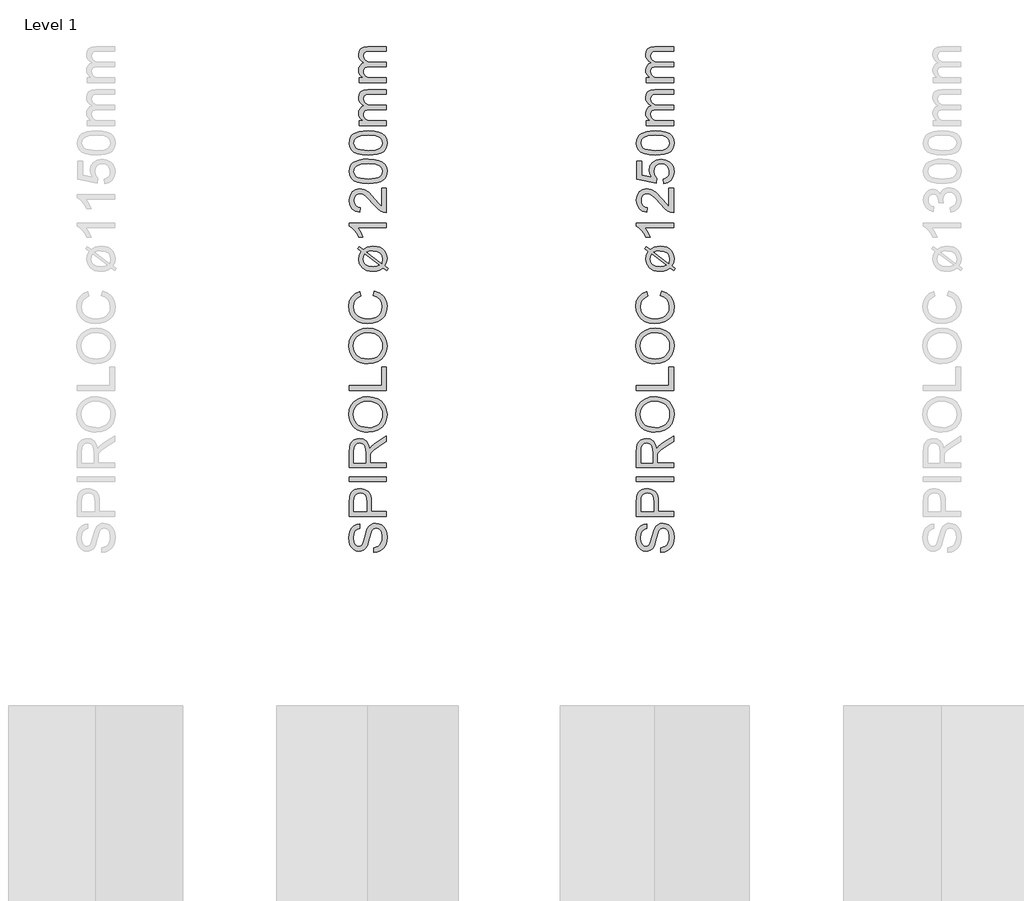
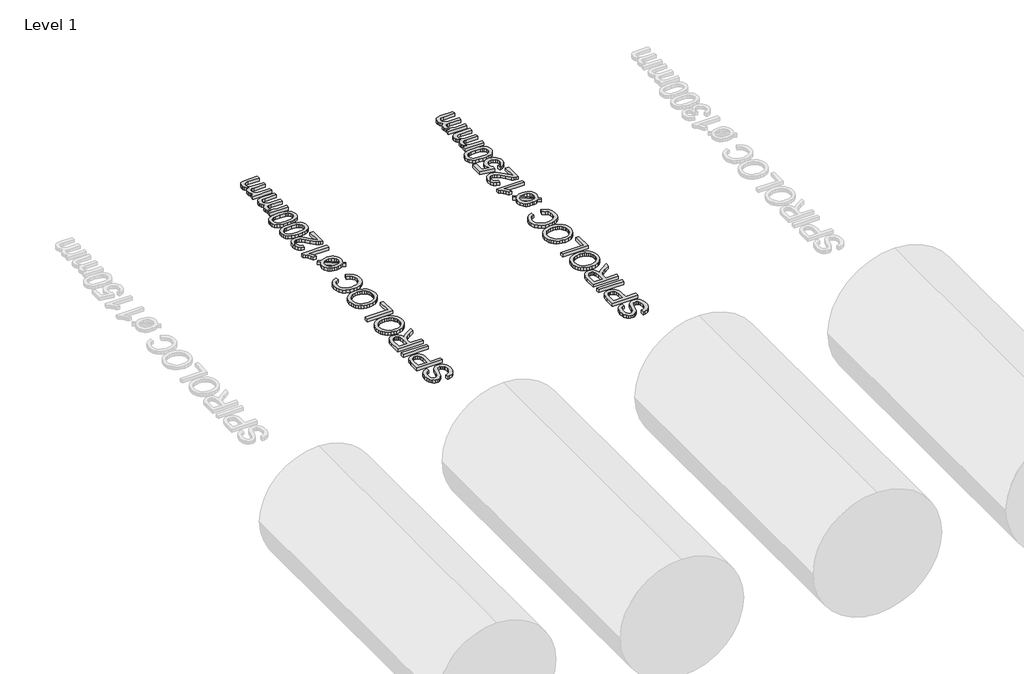
# One storey, part 15 of 19: 2 proxies.
"""IFC4 building model written with IfcOpenShell, lengths in millimetres."""

from ifc_helpers import new_model, si_unit, origin, origin_with_axes, place, context, project, spatial, polyline, outline, extrude, element, save

model = new_model("IFC4")

# Units and contexts
model_context = context("Model", 3, world=origin())
ifc_project = project(units=[si_unit("LENGTHUNIT", "METRE", prefix="MILLI")], contexts=[model_context])

# Site, building, storey
site = spatial("IfcSite", under=ifc_project)
building = spatial("IfcBuilding", under=site)
storey = spatial("IfcBuildingStorey", under=building, Name="Level 1", Elevation=0.0)

# Proxies
placement = place(None, origin())
element("IfcBuildingElementProxy", 1, Name="250mm", ObjectType="250mm", at=placement, inside=storey, context=model_context, shape_type="SweptSolid", body=[
    extrude(outline(polyline([(10788.3043383, 11932.8312074), (10788.3043383, 11963.6004382), (10805.3791581, 11967.1310873), (10819.1036172, 11973.5163036), (10829.9960451, 11983.4772411), (10838.574771, 11997.7350536), (10844.1411773, 12015.1629382), (10845.996646, 12034.6340921), (10840.3776557, 12066.7855344), (10833.7069826, 12078.9474935), (10824.9329441, 12087.5487555), (10814.8593263, 12092.6644406), (10804.2899153, 12094.369669), (10785.0891941, 12089.2614959), (10777.4945427, 12081.479044), (10771.1168383, 12068.3480344), (10759.3680403, 12023.5463517), (10744.1937614, 11975.3191882), (10733.8421989, 11960.002181), (10721.2971268, 11949.1473132), (10706.8289778, 11942.6794647), (10690.7081845, 11940.5235151), (10672.6868504, 11943.190282), (10655.8824633, 11951.1905824), (10641.6396749, 11964.31408), (10631.3031364, 11982.3504382), (10625.0155763, 12004.0000776), (10622.919723, 12027.963419), (10625.1132326, 12053.9249574), (10631.6937614, 12076.6413036), (10642.5260932, 12095.3011594), (10657.4750114, 12109.0932267), (10675.6090258, 12117.822193), (10695.996646, 12121.2927459), (10695.996646, 12090.5235151), (10677.637271, 12084.8744767), (10664.3860691, 12073.0956305), (10656.3632326, 12054.6911834), (10653.6889537, 12029.1653421), (10656.3331845, 12003.0385392), (10664.2658768, 11985.1148613), (10675.9395547, 11974.7482748), (10689.8067422, 11971.2927459), (10701.6306605, 11973.7416642), (10711.1408768, 11981.088419), (10719.6444826, 11998.4562074), (10728.3283768, 12031.3288036), (10743.7730883, 12085.775919), (10754.9359489, 12103.3164839), (10768.7129922, 12115.5535632), (10784.9539778, 12122.7425656), (10803.5086653, 12125.1388998), (10822.4765138, 12122.3819887), (10840.3175595, 12114.1112555), (10855.6721268, 12100.6647411), (10867.1805403, 12082.3804863), (10874.3695427, 12060.392806), (10876.7658768, 12035.8360151), (10874.1817422, 12005.690282), (10866.4293383, 11980.8780824), (10853.4786172, 11961.1139599), (10835.2995307, 11946.1124574), (10813.154098, 11936.4820488), (10788.3043383, 11932.8312074)])), origin_with_axes(), (0.0, 0.0, 1.0), 30.0),
    extrude(outline(polyline([(10872.919723, 12171.2927459), (10626.7658768, 12171.2927459), (10626.7658768, 12262.5187074), (10629.1096268, 12299.2975536), (10633.489134, 12315.6962916), (10640.6180403, 12329.1953901), (10650.8193624, 12340.065282), (10664.4161172, 12348.5763998), (10680.4542783, 12354.0751978), (10697.9798191, 12355.9081305), (10726.9912374, 12350.9577099), (10751.1649153, 12336.1064478), (10760.6826436, 12324.2130434), (10767.481021, 12308.3345127), (10771.5600475, 12288.4708559), (10772.919723, 12264.6220728), (10772.919723, 12202.0619767), (10872.919723, 12202.0619767), (10872.919723, 12171.2927459)]), holes=[polyline([(10742.1504922, 12202.0619767), (10742.1504922, 12266.4249574), (10739.325973, 12293.7086113), (10730.8524153, 12311.7374574), (10717.2556605, 12321.7885392), (10699.0615499, 12325.1388998), (10685.2394345, 12323.1632387), (10673.5807807, 12317.2362555), (10664.8067422, 12308.0941281), (10659.638473, 12296.4730344), (10657.5351076, 12265.7038036), (10657.5351076, 12202.0619767), (10742.1504922, 12202.0619767)])]), origin_with_axes(), (0.0, 0.0, 1.0), 30.0),
    extrude(outline(polyline([(10872.919723, 12402.0619767), (10626.7658768, 12402.0619767), (10626.7658768, 12432.8312074), (10872.919723, 12432.8312074), (10872.919723, 12402.0619767)])), origin_with_axes(), (0.0, 0.0, 1.0), 30.0),
    extrude(outline(polyline([(10872.919723, 12494.369669), (10626.7658768, 12494.369669), (10626.7658768, 12600.4393805), (10628.4260331, 12628.9474935), (10633.4065018, 12649.6881786), (10642.6012133, 12664.8474334), (10656.904098, 12676.6112555), (10674.6399754, 12684.1608349), (10694.1336653, 12686.6773613), (10718.3824633, 12682.5081906), (10738.4846268, 12670.0006786), (10753.2232085, 12648.7792243), (10761.3812614, 12618.4682267), (10774.5423191, 12635.9562074), (10806.2129922, 12660.8961113), (10872.919723, 12701.9417844), (10872.919723, 12666.1845728), (10821.8980883, 12634.1533228), (10788.1240499, 12611.0163036), (10772.168521, 12594.760294), (10766.309146, 12580.1268805), (10765.2274153, 12562.2783228), (10765.2274153, 12525.1388998), (10872.919723, 12525.1388998), (10872.919723, 12494.369669)]), holes=[polyline([(10734.4581845, 12525.1388998), (10734.4581845, 12594.0090921), (10730.1012133, 12629.135294), (10724.4371508, 12640.6887796), (10716.1589057, 12649.0872171), (10706.145384, 12654.2029022), (10695.2754922, 12655.9081305), (10680.2664778, 12652.6554262), (10668.1721268, 12642.8973132), (10660.1943624, 12626.1079502), (10657.5351076, 12601.7614959), (10657.5351076, 12525.1388998), (10734.4581845, 12525.1388998)])]), origin_with_axes(), (0.0, 0.0, 1.0), 30.0),
    extrude(outline(polyline([(10753.0879922, 12728.9850536), (10724.2155463, 12731.0358349), (10698.6559008, 12737.1881786), (10676.4090559, 12747.4420849), (10657.4750114, 12761.7975536), (10642.3570727, 12779.3944587), (10631.5585451, 12799.3726738), (10625.0794285, 12821.732199), (10622.919723, 12846.4730344), (10626.9762133, 12878.759693), (10639.1456845, 12907.7110151), (10658.5717662, 12931.7494767), (10684.3980883, 12949.2975536), (10715.3776557, 12960.0247171), (10750.263473, 12963.6004382), (10785.6150355, 12959.8369166), (10817.0302999, 12948.5463517), (10842.9016941, 12930.3522411), (10861.621646, 12905.8780824), (10872.9798191, 12877.174657), (10876.7658768, 12846.2927459), (10872.5816821, 12813.510294), (10860.029098, 12784.3937074), (10840.2424393, 12760.4153421), (10814.356021, 12743.0475536), (10784.5708648, 12732.5006786), (10753.0879922, 12728.9850536)]), holes=[polyline([(10753.388473, 12759.7542844), (10773.7873612, 12761.2923703), (10791.8950835, 12765.9066281), (10807.71164, 12773.5970578), (10821.2370307, 12784.3636594), (10832.0693624, 12797.4514749), (10839.8067422, 12812.1055464), (10844.4491701, 12828.3258739), (10845.996646, 12846.1124574), (10844.434146, 12864.2032778), (10839.746646, 12880.6151618), (10831.934146, 12895.3481095), (10820.996646, 12908.4021209), (10807.1857987, 12919.0898463), (10790.7532566, 12926.7239358), (10771.6990198, 12931.3043895), (10750.0230883, 12932.8312074), (10722.7845066, 12930.2170248), (10699.2418383, 12922.3744767), (10679.9885331, 12909.5063877), (10665.6180403, 12891.8155824), (10656.6712254, 12870.4739358), (10653.6889537, 12846.6533228), (10659.4356484, 12813.5553661), (10676.6757326, 12785.4153421), (10690.0903209, 12774.1886293), (10707.3473071, 12766.1695488), (10728.4466911, 12761.3581005), (10753.388473, 12759.7542844)])]), origin_with_axes(), (0.0, 0.0, 1.0), 30.0),
    extrude(outline(polyline([(10872.919723, 13005.9081305), (10626.7658768, 13005.9081305), (10626.7658768, 13036.6773613), (10842.1504922, 13036.6773613), (10842.1504922, 13159.7542844), (10872.919723, 13159.7542844), (10872.919723, 13005.9081305)])), origin_with_axes(), (0.0, 0.0, 1.0), 30.0),
    extrude(outline(polyline([(10753.0879922, 13182.8312074), (10724.2155463, 13184.8819887), (10698.6559008, 13191.0343324), (10676.4090559, 13201.2882387), (10657.4750114, 13215.6437074), (10642.3570727, 13233.2406125), (10631.5585451, 13253.2188276), (10625.0794285, 13275.5783529), (10622.919723, 13300.3191882), (10626.9762133, 13332.6058469), (10639.1456845, 13361.557169), (10658.5717662, 13385.5956305), (10684.3980883, 13403.1437074), (10715.3776557, 13413.8708709), (10750.263473, 13417.4465921), (10785.6150355, 13413.6830704), (10817.0302999, 13402.3925055), (10842.9016941, 13384.1983949), (10861.621646, 13359.7242363), (10872.9798191, 13331.0208108), (10876.7658768, 13300.1388998), (10872.5816821, 13267.3564478), (10860.029098, 13238.2398613), (10840.2424393, 13214.2614959), (10814.356021, 13196.8937074), (10784.5708648, 13186.3468324), (10753.0879922, 13182.8312074)]), holes=[polyline([(10753.388473, 13213.6004382), (10773.7873612, 13215.1385242), (10791.8950835, 13219.752782), (10807.71164, 13227.4432117), (10821.2370307, 13238.2098132), (10832.0693624, 13251.2976287), (10839.8067422, 13265.9517002), (10844.4491701, 13282.1720278), (10845.996646, 13299.9586113), (10844.434146, 13318.0494316), (10839.746646, 13334.4613156), (10831.934146, 13349.1942633), (10820.996646, 13362.2482748), (10807.1857987, 13372.9360001), (10790.7532566, 13380.5700897), (10771.6990198, 13385.1505434), (10750.0230883, 13386.6773613), (10722.7845066, 13384.0631786), (10699.2418383, 13376.2206305), (10679.9885331, 13363.3525416), (10665.6180403, 13345.6617363), (10656.6712254, 13324.3200897), (10653.6889537, 13300.4994767), (10659.4356484, 13267.4015199), (10676.6757326, 13239.2614959), (10690.0903209, 13228.0347832), (10707.3473071, 13220.0157026), (10728.4466911, 13215.2042543), (10753.388473, 13213.6004382)])]), origin_with_axes(), (0.0, 0.0, 1.0), 30.0),
    extrude(outline(polyline([(10785.419723, 13632.8312074), (10793.3524153, 13663.6004382), (10829.2072831, 13649.4027219), (10855.4016941, 13627.1220728), (10871.4248311, 13597.8552459), (10876.7658768, 13562.6989959), (10872.7244105, 13527.0093925), (10860.6000114, 13498.666544), (10840.8133528, 13476.9417844), (10813.7851076, 13461.1064478), (10782.0092662, 13451.4384791), (10747.9798191, 13448.2158228), (10712.0873912, 13451.8591522), (10681.0927999, 13462.7891401), (10655.9801196, 13480.4348733), (10637.7334249, 13504.2254382), (10626.6231484, 13532.4405824), (10622.919723, 13563.3600536), (10627.7123912, 13597.096532), (10642.090396, 13624.9886594), (10665.1673191, 13646.1650416), (10696.0567422, 13659.7542844), (10703.388473, 13628.9850536), (10680.9500715, 13618.3179863), (10665.5579441, 13603.744669), (10656.6562013, 13585.0848132), (10653.6889537, 13562.1581305), (10656.9792182, 13535.7308469), (10666.8500114, 13514.0211113), (10682.2646749, 13497.5472531), (10702.1865499, 13486.8276017), (10724.7075835, 13480.9456906), (10747.919723, 13478.9850536), (10776.3452037, 13481.3062675), (10800.9245307, 13488.2699094), (10820.7187013, 13500.1388998), (10834.7887133, 13517.1761594), (10843.1946629, 13537.6013397), (10845.996646, 13559.6340921), (10842.1805403, 13585.3176858), (10830.732223, 13606.7194286), (10811.7718864, 13622.877782), (10785.419723, 13632.8312074)])), origin_with_axes(), (0.0, 0.0, 1.0), 30.0),
    extrude(outline(polyline([(10705.8524153, 13924.8985151), (10681.5735691, 13943.2879382), (10692.7514537, 13957.9513998), (10718.1721268, 13938.6605344), (10744.434146, 13954.1653421), (10783.6168383, 13959.7542844), (10807.1595066, 13958.0077399), (10827.3668383, 13952.7681065), (10844.2388335, 13944.0353841), (10857.7754922, 13931.8095728), (10872.0182807, 13906.8245969), (10876.7658768, 13877.182169), (10872.7244105, 13852.4375776), (10860.6000114, 13830.7278421), (10884.4581845, 13812.6388998), (10873.5206845, 13797.7350536), (10850.7442422, 13815.0427459), (10827.5471268, 13801.0403421), (10807.7454441, 13796.0373373), (10785.4798191, 13794.369669), (10761.593476, 13795.8870969), (10741.2565619, 13800.4393805), (10724.4690769, 13808.0265199), (10711.231021, 13818.6485151), (10694.036009, 13845.0457507), (10688.3043383, 13875.6797651), (10692.5411172, 13900.619669), (10705.8524153, 13924.8985151)]), holes=[polyline([(10727.7274153, 13908.3119767), (10721.2370307, 13892.9273613), (10719.0735691, 13876.8215921), (10723.2277158, 13856.6142603), (10735.6901557, 13839.9826498), (10756.3707446, 13828.8498373), (10785.1793383, 13825.1388998), (10807.5952037, 13827.2873373), (10826.044723, 13833.7326498), (10727.7274153, 13908.3119767)]), polyline([(10743.1120307, 13919.7903421), (10840.888473, 13845.6316882), (10845.996646, 13875.1989959), (10841.9326436, 13896.5331305), (10829.7406364, 13913.7807267), (10809.4356484, 13925.1839719), (10781.0327037, 13928.9850536), (10759.8187614, 13926.6413036), (10743.1120307, 13919.7903421)])]), origin_with_axes(), (0.0, 0.0, 1.0), 30.0),
    extrude(outline(polyline([(10872.919723, 14113.6004382), (10872.919723, 14082.8312074), (10681.0927999, 14082.8312074), (10701.856021, 14053.6845728), (10717.3908768, 14021.2927459), (10688.3043383, 14021.2927459), (10675.1583047, 14045.4589118), (10659.5182807, 14066.3949094), (10642.8866701, 14082.8988156), (10626.7658768, 14093.7687074), (10626.7658768, 14113.6004382), (10872.919723, 14113.6004382)])), origin_with_axes(), (0.0, 0.0, 1.0), 30.0),
    extrude(outline(polyline([(10842.1504922, 14344.369669), (10872.919723, 14344.369669), (10872.919723, 14182.8312074), (10851.7057807, 14186.1364959), (10835.1267542, 14193.7236353), (10819.043521, 14204.8263998), (10783.3764537, 14243.3480344), (10753.8842662, 14276.5511594), (10732.1144345, 14296.4730344), (10714.4461653, 14306.4339719), (10697.2586653, 14309.7542844), (10681.8515138, 14306.6217724), (10669.043521, 14297.2242363), (10660.4122109, 14282.7786233), (10657.5351076, 14264.5018805), (10660.3446028, 14245.3086714), (10668.7730883, 14230.3973132), (10682.1595066, 14220.7744166), (10699.8427999, 14217.4465921), (10695.996646, 14186.6773613), (10666.2340258, 14194.1367964), (10644.4942422, 14210.2651017), (10631.1979682, 14234.220931), (10626.7658768, 14265.1629382), (10631.6937614, 14296.330306), (10646.4774153, 14320.2410632), (10668.5627518, 14335.4529022), (10695.3956845, 14340.5235151), (10724.5723672, 14335.0547651), (10754.7406364, 14316.8756786), (10796.8980883, 14272.7951498), (10826.4954441, 14237.3985151), (10842.1504922, 14223.5163036), (10842.1504922, 14344.369669)])), origin_with_axes(), (0.0, 0.0, 1.0), 30.0),
    extrude(outline(polyline([(10751.825973, 14375.1388998), (10712.4254321, 14377.4000175), (10681.0026557, 14384.1833709), (10657.0768744, 14395.4213517), (10640.1673191, 14411.0463517), (10630.1162374, 14431.1710512), (10626.7658768, 14455.9081305), (10628.7490499, 14474.8684671), (10634.6985691, 14491.8456305), (10644.3815619, 14506.0433469), (10657.5651557, 14516.6653421), (10693.9834249, 14531.088419), (10719.1862494, 14535.2801257), (10751.825973, 14536.6773613), (10791.0011533, 14534.4387796), (10822.3488095, 14527.7230344), (10846.2971268, 14516.5526618), (10863.2742903, 14500.9501978), (10873.3929802, 14480.7804262), (10876.7658768, 14455.9081305), (10875.3010331, 14438.9610151), (10870.9065018, 14423.9369767), (10863.5822831, 14410.8360151), (10853.3283768, 14399.6581305), (10834.7924694, 14388.9309671), (10811.6967662, 14381.2687074), (10784.0412674, 14376.6713517), (10751.825973, 14375.1388998)]), holes=[polyline([(10751.7658768, 14405.9081305), (10800.1658167, 14409.5138998), (10816.7204291, 14414.0211113), (10828.1781364, 14420.3312074), (10841.5420186, 14436.4369767), (10845.996646, 14455.9081305), (10841.5269946, 14475.3792844), (10828.1180403, 14491.4850536), (10816.6415529, 14497.7951498), (10800.0906965, 14502.3023613), (10751.7658768, 14505.9081305), (10704.4551797, 14502.4225536), (10687.9550295, 14498.0655824), (10676.2250114, 14491.9658228), (10662.2075835, 14475.8901017), (10657.5351076, 14455.5475536), (10661.6516941, 14436.2867363), (10674.0014537, 14420.8119767), (10686.7718864, 14414.291544), (10703.9894345, 14409.6340921), (10751.7658768, 14405.9081305)])]), origin_with_axes(), (0.0, 0.0, 1.0), 30.0),
    extrude(outline(polyline([(10751.825973, 14563.6004382), (10712.4254321, 14565.861556), (10681.0026557, 14572.6449094), (10657.0768744, 14583.8828901), (10640.1673191, 14599.5078901), (10630.1162374, 14619.6325897), (10626.7658768, 14644.369669), (10628.7490499, 14663.3300055), (10634.6985691, 14680.307169), (10644.3815619, 14694.5048853), (10657.5651557, 14705.1268805), (10693.9834249, 14719.5499574), (10719.1862494, 14723.7416642), (10751.825973, 14725.1388998), (10791.0011533, 14722.900318), (10822.3488095, 14716.1845728), (10846.2971268, 14705.0142002), (10863.2742903, 14689.4117363), (10873.3929802, 14669.2419647), (10876.7658768, 14644.369669), (10875.3010331, 14627.4225536), (10870.9065018, 14612.3985151), (10863.5822831, 14599.2975536), (10853.3283768, 14588.119669), (10834.7924694, 14577.3925055), (10811.6967662, 14569.7302459), (10784.0412674, 14565.1328901), (10751.825973, 14563.6004382)]), holes=[polyline([(10751.7658768, 14594.369669), (10800.1658167, 14597.9754382), (10816.7204291, 14602.4826498), (10828.1781364, 14608.7927459), (10841.5420186, 14624.8985151), (10845.996646, 14644.369669), (10841.5269946, 14663.8408228), (10828.1180403, 14679.9465921), (10816.6415529, 14686.2566882), (10800.0906965, 14690.7638998), (10751.7658768, 14694.369669), (10704.4551797, 14690.8840921), (10687.9550295, 14686.5271209), (10676.2250114, 14680.4273613), (10662.2075835, 14664.3516401), (10657.5351076, 14644.0090921), (10661.6516941, 14624.7482748), (10674.0014537, 14609.2735151), (10686.7718864, 14602.7530824), (10703.9894345, 14598.0956305), (10751.7658768, 14594.369669)])]), origin_with_axes(), (0.0, 0.0, 1.0), 30.0),
    extrude(outline(polyline([(10872.919723, 14759.7542844), (10692.1504922, 14759.7542844), (10692.1504922, 14790.5235151), (10721.8980883, 14790.5235151), (10708.2337254, 14799.7783228), (10697.529098, 14811.6773613), (10690.6105283, 14825.8149815), (10688.3043383, 14841.7855344), (10690.6556004, 14858.8979142), (10697.7093864, 14872.6148613), (10708.9999513, 14882.8612555), (10724.0615499, 14889.5619767), (10708.4177698, 14900.7774214), (10697.2436412, 14913.5703901), (10690.5391641, 14927.9408829), (10688.3043383, 14943.8888998), (10692.0227879, 14967.018407), (10703.1781364, 14984.1232748), (10722.0708648, 14994.6926858), (10749.0014537, 14998.2158228), (10872.919723, 14998.2158228), (10872.919723, 14967.4465921), (10762.2226076, 14967.4465921), (10736.5315018, 14964.5920248), (10723.8812614, 14954.2554863), (10719.0735691, 14936.6773613), (10722.153497, 14920.0081906), (10731.3932807, 14906.4189478), (10747.4239297, 14897.3819887), (10770.8764537, 14894.369669), (10872.919723, 14894.369669), (10872.919723, 14863.6004382), (10758.7971268, 14863.6004382), (10741.3992903, 14861.8200897), (10728.9894345, 14856.479044), (10721.5525355, 14847.0815079), (10719.0735691, 14833.1316882), (10720.7262133, 14821.2777219), (10725.684146, 14810.3552459), (10733.8271749, 14801.3408228), (10745.0351076, 14795.2110151), (10781.7538576, 14790.5235151), (10872.919723, 14790.5235151), (10872.919723, 14759.7542844)])), origin_with_axes(), (0.0, 0.0, 1.0), 30.0),
    extrude(outline(polyline([(10872.919723, 15044.369669), (10692.1504922, 15044.369669), (10692.1504922, 15075.1388998), (10721.8980883, 15075.1388998), (10708.2337254, 15084.3937074), (10697.529098, 15096.2927459), (10690.6105283, 15110.4303661), (10688.3043383, 15126.400919), (10690.6556004, 15143.5132988), (10697.7093864, 15157.2302459), (10708.9999513, 15167.4766401), (10724.0615499, 15174.1773613), (10708.4177698, 15185.392806), (10697.2436412, 15198.1857748), (10690.5391641, 15212.5562675), (10688.3043383, 15228.5042844), (10692.0227879, 15251.6337916), (10703.1781364, 15268.7386594), (10722.0708648, 15279.3080704), (10749.0014537, 15282.8312074), (10872.919723, 15282.8312074), (10872.919723, 15252.0619767), (10762.2226076, 15252.0619767), (10736.5315018, 15249.2074094), (10723.8812614, 15238.8708709), (10719.0735691, 15221.2927459), (10722.153497, 15204.6235752), (10731.3932807, 15191.0343324), (10747.4239297, 15181.9973733), (10770.8764537, 15178.9850536), (10872.919723, 15178.9850536), (10872.919723, 15148.2158228), (10758.7971268, 15148.2158228), (10741.3992903, 15146.4354743), (10728.9894345, 15141.0944286), (10721.5525355, 15131.6968925), (10719.0735691, 15117.7470728), (10720.7262133, 15105.8931065), (10725.684146, 15094.9706305), (10733.8271749, 15085.9562074), (10745.0351076, 15079.8263998), (10781.7538576, 15075.1388998), (10872.919723, 15075.1388998), (10872.919723, 15044.369669)])), origin_with_axes(), (0.0, 0.0, 1.0), 30.0),
])
element("IfcBuildingElementProxy", 2, Name="250mm", ObjectType="250mm", at=placement, inside=storey, context=model_context, shape_type="SweptSolid", body=[
    extrude(outline(polyline([(12688.3043383, 11932.8312074), (12688.3043383, 11963.6004382), (12705.3791581, 11967.1310873), (12719.1036172, 11973.5163036), (12729.9960451, 11983.4772411), (12738.574771, 11997.7350536), (12744.1411773, 12015.1629382), (12745.996646, 12034.6340921), (12740.3776557, 12066.7855344), (12733.7069826, 12078.9474935), (12724.9329441, 12087.5487555), (12714.8593263, 12092.6644406), (12704.2899153, 12094.369669), (12685.0891941, 12089.2614959), (12677.4945427, 12081.479044), (12671.1168383, 12068.3480344), (12659.3680403, 12023.5463517), (12644.1937614, 11975.3191882), (12633.8421989, 11960.002181), (12621.2971268, 11949.1473132), (12606.8289778, 11942.6794647), (12590.7081845, 11940.5235151), (12572.6868504, 11943.190282), (12555.8824633, 11951.1905824), (12541.6396749, 11964.31408), (12531.3031364, 11982.3504382), (12525.0155763, 12004.0000776), (12522.919723, 12027.963419), (12525.1132326, 12053.9249574), (12531.6937614, 12076.6413036), (12542.5260932, 12095.3011594), (12557.4750114, 12109.0932267), (12575.6090258, 12117.822193), (12595.996646, 12121.2927459), (12595.996646, 12090.5235151), (12577.637271, 12084.8744767), (12564.3860691, 12073.0956305), (12556.3632326, 12054.6911834), (12553.6889537, 12029.1653421), (12556.3331845, 12003.0385392), (12564.2658768, 11985.1148613), (12575.9395547, 11974.7482748), (12589.8067422, 11971.2927459), (12601.6306605, 11973.7416642), (12611.1408768, 11981.088419), (12619.6444826, 11998.4562074), (12628.3283768, 12031.3288036), (12643.7730883, 12085.775919), (12654.9359489, 12103.3164839), (12668.7129922, 12115.5535632), (12684.9539778, 12122.7425656), (12703.5086653, 12125.1388998), (12722.4765138, 12122.3819887), (12740.3175595, 12114.1112555), (12755.6721268, 12100.6647411), (12767.1805403, 12082.3804863), (12774.3695427, 12060.392806), (12776.7658768, 12035.8360151), (12774.1817422, 12005.690282), (12766.4293383, 11980.8780824), (12753.4786172, 11961.1139599), (12735.2995307, 11946.1124574), (12713.154098, 11936.4820488), (12688.3043383, 11932.8312074)])), origin_with_axes(), (0.0, 0.0, 1.0), 30.0),
    extrude(outline(polyline([(12772.919723, 12171.2927459), (12526.7658768, 12171.2927459), (12526.7658768, 12262.5187074), (12529.1096268, 12299.2975536), (12533.489134, 12315.6962916), (12540.6180403, 12329.1953901), (12550.8193624, 12340.065282), (12564.4161172, 12348.5763998), (12580.4542783, 12354.0751978), (12597.9798191, 12355.9081305), (12626.9912374, 12350.9577099), (12651.1649153, 12336.1064478), (12660.6826436, 12324.2130434), (12667.481021, 12308.3345127), (12671.5600475, 12288.4708559), (12672.919723, 12264.6220728), (12672.919723, 12202.0619767), (12772.919723, 12202.0619767), (12772.919723, 12171.2927459)]), holes=[polyline([(12642.1504922, 12202.0619767), (12642.1504922, 12266.4249574), (12639.325973, 12293.7086113), (12630.8524153, 12311.7374574), (12617.2556605, 12321.7885392), (12599.0615499, 12325.1388998), (12585.2394345, 12323.1632387), (12573.5807807, 12317.2362555), (12564.8067422, 12308.0941281), (12559.638473, 12296.4730344), (12557.5351076, 12265.7038036), (12557.5351076, 12202.0619767), (12642.1504922, 12202.0619767)])]), origin_with_axes(), (0.0, 0.0, 1.0), 30.0),
    extrude(outline(polyline([(12772.919723, 12402.0619767), (12526.7658768, 12402.0619767), (12526.7658768, 12432.8312074), (12772.919723, 12432.8312074), (12772.919723, 12402.0619767)])), origin_with_axes(), (0.0, 0.0, 1.0), 30.0),
    extrude(outline(polyline([(12772.919723, 12494.369669), (12526.7658768, 12494.369669), (12526.7658768, 12600.4393805), (12528.4260331, 12628.9474935), (12533.4065018, 12649.6881786), (12542.6012133, 12664.8474334), (12556.904098, 12676.6112555), (12574.6399754, 12684.1608349), (12594.1336653, 12686.6773613), (12618.3824633, 12682.5081906), (12638.4846268, 12670.0006786), (12653.2232085, 12648.7792243), (12661.3812614, 12618.4682267), (12674.5423191, 12635.9562074), (12706.2129922, 12660.8961113), (12772.919723, 12701.9417844), (12772.919723, 12666.1845728), (12721.8980883, 12634.1533228), (12688.1240499, 12611.0163036), (12672.168521, 12594.760294), (12666.309146, 12580.1268805), (12665.2274153, 12562.2783228), (12665.2274153, 12525.1388998), (12772.919723, 12525.1388998), (12772.919723, 12494.369669)]), holes=[polyline([(12634.4581845, 12525.1388998), (12634.4581845, 12594.0090921), (12630.1012133, 12629.135294), (12624.4371508, 12640.6887796), (12616.1589057, 12649.0872171), (12606.145384, 12654.2029022), (12595.2754922, 12655.9081305), (12580.2664778, 12652.6554262), (12568.1721268, 12642.8973132), (12560.1943624, 12626.1079502), (12557.5351076, 12601.7614959), (12557.5351076, 12525.1388998), (12634.4581845, 12525.1388998)])]), origin_with_axes(), (0.0, 0.0, 1.0), 30.0),
    extrude(outline(polyline([(12653.0879922, 12728.9850536), (12624.2155463, 12731.0358349), (12598.6559008, 12737.1881786), (12576.4090559, 12747.4420849), (12557.4750114, 12761.7975536), (12542.3570727, 12779.3944587), (12531.5585451, 12799.3726738), (12525.0794285, 12821.732199), (12522.919723, 12846.4730344), (12526.9762133, 12878.759693), (12539.1456845, 12907.7110151), (12558.5717662, 12931.7494767), (12584.3980883, 12949.2975536), (12615.3776557, 12960.0247171), (12650.263473, 12963.6004382), (12685.6150355, 12959.8369166), (12717.0302999, 12948.5463517), (12742.9016941, 12930.3522411), (12761.621646, 12905.8780824), (12772.9798191, 12877.174657), (12776.7658768, 12846.2927459), (12772.5816821, 12813.510294), (12760.029098, 12784.3937074), (12740.2424393, 12760.4153421), (12714.356021, 12743.0475536), (12684.5708648, 12732.5006786), (12653.0879922, 12728.9850536)]), holes=[polyline([(12653.388473, 12759.7542844), (12673.7873612, 12761.2923703), (12691.8950835, 12765.9066281), (12707.71164, 12773.5970578), (12721.2370307, 12784.3636594), (12732.0693624, 12797.4514749), (12739.8067422, 12812.1055464), (12744.4491701, 12828.3258739), (12745.996646, 12846.1124574), (12744.434146, 12864.2032778), (12739.746646, 12880.6151618), (12731.934146, 12895.3481095), (12720.996646, 12908.4021209), (12707.1857987, 12919.0898463), (12690.7532566, 12926.7239358), (12671.6990198, 12931.3043895), (12650.0230883, 12932.8312074), (12622.7845066, 12930.2170248), (12599.2418383, 12922.3744767), (12579.9885331, 12909.5063877), (12565.6180403, 12891.8155824), (12556.6712254, 12870.4739358), (12553.6889537, 12846.6533228), (12559.4356484, 12813.5553661), (12576.6757326, 12785.4153421), (12590.0903209, 12774.1886293), (12607.3473071, 12766.1695488), (12628.4466911, 12761.3581005), (12653.388473, 12759.7542844)])]), origin_with_axes(), (0.0, 0.0, 1.0), 30.0),
    extrude(outline(polyline([(12772.919723, 13005.9081305), (12526.7658768, 13005.9081305), (12526.7658768, 13036.6773613), (12742.1504922, 13036.6773613), (12742.1504922, 13159.7542844), (12772.919723, 13159.7542844), (12772.919723, 13005.9081305)])), origin_with_axes(), (0.0, 0.0, 1.0), 30.0),
    extrude(outline(polyline([(12653.0879922, 13182.8312074), (12624.2155463, 13184.8819887), (12598.6559008, 13191.0343324), (12576.4090559, 13201.2882387), (12557.4750114, 13215.6437074), (12542.3570727, 13233.2406125), (12531.5585451, 13253.2188276), (12525.0794285, 13275.5783529), (12522.919723, 13300.3191882), (12526.9762133, 13332.6058469), (12539.1456845, 13361.557169), (12558.5717662, 13385.5956305), (12584.3980883, 13403.1437074), (12615.3776557, 13413.8708709), (12650.263473, 13417.4465921), (12685.6150355, 13413.6830704), (12717.0302999, 13402.3925055), (12742.9016941, 13384.1983949), (12761.621646, 13359.7242363), (12772.9798191, 13331.0208108), (12776.7658768, 13300.1388998), (12772.5816821, 13267.3564478), (12760.029098, 13238.2398613), (12740.2424393, 13214.2614959), (12714.356021, 13196.8937074), (12684.5708648, 13186.3468324), (12653.0879922, 13182.8312074)]), holes=[polyline([(12653.388473, 13213.6004382), (12673.7873612, 13215.1385242), (12691.8950835, 13219.752782), (12707.71164, 13227.4432117), (12721.2370307, 13238.2098132), (12732.0693624, 13251.2976287), (12739.8067422, 13265.9517002), (12744.4491701, 13282.1720278), (12745.996646, 13299.9586113), (12744.434146, 13318.0494316), (12739.746646, 13334.4613156), (12731.934146, 13349.1942633), (12720.996646, 13362.2482748), (12707.1857987, 13372.9360001), (12690.7532566, 13380.5700897), (12671.6990198, 13385.1505434), (12650.0230883, 13386.6773613), (12622.7845066, 13384.0631786), (12599.2418383, 13376.2206305), (12579.9885331, 13363.3525416), (12565.6180403, 13345.6617363), (12556.6712254, 13324.3200897), (12553.6889537, 13300.4994767), (12559.4356484, 13267.4015199), (12576.6757326, 13239.2614959), (12590.0903209, 13228.0347832), (12607.3473071, 13220.0157026), (12628.4466911, 13215.2042543), (12653.388473, 13213.6004382)])]), origin_with_axes(), (0.0, 0.0, 1.0), 30.0),
    extrude(outline(polyline([(12685.419723, 13632.8312074), (12693.3524153, 13663.6004382), (12729.2072831, 13649.4027219), (12755.4016941, 13627.1220728), (12771.4248311, 13597.8552459), (12776.7658768, 13562.6989959), (12772.7244105, 13527.0093925), (12760.6000114, 13498.666544), (12740.8133528, 13476.9417844), (12713.7851076, 13461.1064478), (12682.0092662, 13451.4384791), (12647.9798191, 13448.2158228), (12612.0873912, 13451.8591522), (12581.0927999, 13462.7891401), (12555.9801196, 13480.4348733), (12537.7334249, 13504.2254382), (12526.6231484, 13532.4405824), (12522.919723, 13563.3600536), (12527.7123912, 13597.096532), (12542.090396, 13624.9886594), (12565.1673191, 13646.1650416), (12596.0567422, 13659.7542844), (12603.388473, 13628.9850536), (12580.9500715, 13618.3179863), (12565.5579441, 13603.744669), (12556.6562013, 13585.0848132), (12553.6889537, 13562.1581305), (12556.9792182, 13535.7308469), (12566.8500114, 13514.0211113), (12582.2646749, 13497.5472531), (12602.1865499, 13486.8276017), (12624.7075835, 13480.9456906), (12647.919723, 13478.9850536), (12676.3452037, 13481.3062675), (12700.9245307, 13488.2699094), (12720.7187013, 13500.1388998), (12734.7887133, 13517.1761594), (12743.1946629, 13537.6013397), (12745.996646, 13559.6340921), (12742.1805403, 13585.3176858), (12730.732223, 13606.7194286), (12711.7718864, 13622.877782), (12685.419723, 13632.8312074)])), origin_with_axes(), (0.0, 0.0, 1.0), 30.0),
    extrude(outline(polyline([(12605.8524153, 13924.8985151), (12581.5735691, 13943.2879382), (12592.7514537, 13957.9513998), (12618.1721268, 13938.6605344), (12644.434146, 13954.1653421), (12683.6168383, 13959.7542844), (12707.1595066, 13958.0077399), (12727.3668383, 13952.7681065), (12744.2388335, 13944.0353841), (12757.7754922, 13931.8095728), (12772.0182807, 13906.8245969), (12776.7658768, 13877.182169), (12772.7244105, 13852.4375776), (12760.6000114, 13830.7278421), (12784.4581845, 13812.6388998), (12773.5206845, 13797.7350536), (12750.7442422, 13815.0427459), (12727.5471268, 13801.0403421), (12707.7454441, 13796.0373373), (12685.4798191, 13794.369669), (12661.593476, 13795.8870969), (12641.2565619, 13800.4393805), (12624.4690769, 13808.0265199), (12611.231021, 13818.6485151), (12594.036009, 13845.0457507), (12588.3043383, 13875.6797651), (12592.5411172, 13900.619669), (12605.8524153, 13924.8985151)]), holes=[polyline([(12627.7274153, 13908.3119767), (12621.2370307, 13892.9273613), (12619.0735691, 13876.8215921), (12623.2277158, 13856.6142603), (12635.6901557, 13839.9826498), (12656.3707446, 13828.8498373), (12685.1793383, 13825.1388998), (12707.5952037, 13827.2873373), (12726.044723, 13833.7326498), (12627.7274153, 13908.3119767)]), polyline([(12643.1120307, 13919.7903421), (12740.888473, 13845.6316882), (12745.996646, 13875.1989959), (12741.9326436, 13896.5331305), (12729.7406364, 13913.7807267), (12709.4356484, 13925.1839719), (12681.0327037, 13928.9850536), (12659.8187614, 13926.6413036), (12643.1120307, 13919.7903421)])]), origin_with_axes(), (0.0, 0.0, 1.0), 30.0),
    extrude(outline(polyline([(12772.919723, 14113.6004382), (12772.919723, 14082.8312074), (12581.0927999, 14082.8312074), (12601.856021, 14053.6845728), (12617.3908768, 14021.2927459), (12588.3043383, 14021.2927459), (12575.1583047, 14045.4589118), (12559.5182807, 14066.3949094), (12542.8866701, 14082.8988156), (12526.7658768, 14093.7687074), (12526.7658768, 14113.6004382), (12772.919723, 14113.6004382)])), origin_with_axes(), (0.0, 0.0, 1.0), 30.0),
    extrude(outline(polyline([(12742.1504922, 14344.369669), (12772.919723, 14344.369669), (12772.919723, 14182.8312074), (12751.7057807, 14186.1364959), (12735.1267542, 14193.7236353), (12719.043521, 14204.8263998), (12683.3764537, 14243.3480344), (12653.8842662, 14276.5511594), (12632.1144345, 14296.4730344), (12614.4461653, 14306.4339719), (12597.2586653, 14309.7542844), (12581.8515138, 14306.6217724), (12569.043521, 14297.2242363), (12560.4122109, 14282.7786233), (12557.5351076, 14264.5018805), (12560.3446028, 14245.3086714), (12568.7730883, 14230.3973132), (12582.1595066, 14220.7744166), (12599.8427999, 14217.4465921), (12595.996646, 14186.6773613), (12566.2340258, 14194.1367964), (12544.4942422, 14210.2651017), (12531.1979682, 14234.220931), (12526.7658768, 14265.1629382), (12531.6937614, 14296.330306), (12546.4774153, 14320.2410632), (12568.5627518, 14335.4529022), (12595.3956845, 14340.5235151), (12624.5723672, 14335.0547651), (12654.7406364, 14316.8756786), (12696.8980883, 14272.7951498), (12726.4954441, 14237.3985151), (12742.1504922, 14223.5163036), (12742.1504922, 14344.369669)])), origin_with_axes(), (0.0, 0.0, 1.0), 30.0),
    extrude(outline(polyline([(12707.5351076, 14375.1388998), (12703.6889537, 14405.9081305), (12722.161009, 14411.557169), (12735.3896749, 14421.4129382), (12743.3449033, 14435.4303661), (12745.996646, 14453.5643805), (12742.3082446, 14475.619669), (12731.2430403, 14492.1461113), (12714.0780763, 14502.4676257), (12692.090396, 14505.9081305), (12671.387271, 14502.6854743), (12655.5519345, 14493.0175055), (12645.5008528, 14476.8291041), (12642.1504922, 14454.0451498), (12647.4990499, 14427.0319286), (12661.3812614, 14409.7542844), (12657.5351076, 14378.9850536), (12530.6120307, 14405.9081305), (12530.6120307, 14525.1388998), (12561.3812614, 14525.1388998), (12561.3812614, 14430.7879382), (12629.169723, 14417.6268805), (12615.8283768, 14439.6070488), (12611.3812614, 14462.6388998), (12616.8950835, 14491.3873974), (12633.4365499, 14515.2530824), (12658.6468864, 14531.3212916), (12690.1673191, 14536.6773613), (12720.9365499, 14531.8546449), (12747.2586653, 14517.3864959), (12760.1680703, 14504.6010392), (12769.3890739, 14489.682169), (12774.9216761, 14472.6298853), (12776.7658768, 14453.4441882), (12772.0257927, 14423.2233349), (12757.8055403, 14399.1473132), (12735.7577638, 14382.643407), (12707.5351076, 14375.1388998)])), origin_with_axes(), (0.0, 0.0, 1.0), 30.0),
    extrude(outline(polyline([(12651.825973, 14563.6004382), (12612.4254321, 14565.861556), (12581.0026557, 14572.6449094), (12557.0768744, 14583.8828901), (12540.1673191, 14599.5078901), (12530.1162374, 14619.6325897), (12526.7658768, 14644.369669), (12528.7490499, 14663.3300055), (12534.6985691, 14680.307169), (12544.3815619, 14694.5048853), (12557.5651557, 14705.1268805), (12593.9834249, 14719.5499574), (12619.1862494, 14723.7416642), (12651.825973, 14725.1388998), (12691.0011533, 14722.900318), (12722.3488095, 14716.1845728), (12746.2971268, 14705.0142002), (12763.2742903, 14689.4117363), (12773.3929802, 14669.2419647), (12776.7658768, 14644.369669), (12775.3010331, 14627.4225536), (12770.9065018, 14612.3985151), (12763.5822831, 14599.2975536), (12753.3283768, 14588.119669), (12734.7924694, 14577.3925055), (12711.6967662, 14569.7302459), (12684.0412674, 14565.1328901), (12651.825973, 14563.6004382)]), holes=[polyline([(12651.7658768, 14594.369669), (12700.1658167, 14597.9754382), (12716.7204291, 14602.4826498), (12728.1781364, 14608.7927459), (12741.5420186, 14624.8985151), (12745.996646, 14644.369669), (12741.5269946, 14663.8408228), (12728.1180403, 14679.9465921), (12716.6415529, 14686.2566882), (12700.0906965, 14690.7638998), (12651.7658768, 14694.369669), (12604.4551797, 14690.8840921), (12587.9550295, 14686.5271209), (12576.2250114, 14680.4273613), (12562.2075835, 14664.3516401), (12557.5351076, 14644.0090921), (12561.6516941, 14624.7482748), (12574.0014537, 14609.2735151), (12586.7718864, 14602.7530824), (12603.9894345, 14598.0956305), (12651.7658768, 14594.369669)])]), origin_with_axes(), (0.0, 0.0, 1.0), 30.0),
    extrude(outline(polyline([(12772.919723, 14759.7542844), (12592.1504922, 14759.7542844), (12592.1504922, 14790.5235151), (12621.8980883, 14790.5235151), (12608.2337254, 14799.7783228), (12597.529098, 14811.6773613), (12590.6105283, 14825.8149815), (12588.3043383, 14841.7855344), (12590.6556004, 14858.8979142), (12597.7093864, 14872.6148613), (12608.9999513, 14882.8612555), (12624.0615499, 14889.5619767), (12608.4177698, 14900.7774214), (12597.2436412, 14913.5703901), (12590.5391641, 14927.9408829), (12588.3043383, 14943.8888998), (12592.0227879, 14967.018407), (12603.1781364, 14984.1232748), (12622.0708648, 14994.6926858), (12649.0014537, 14998.2158228), (12772.919723, 14998.2158228), (12772.919723, 14967.4465921), (12662.2226076, 14967.4465921), (12636.5315018, 14964.5920248), (12623.8812614, 14954.2554863), (12619.0735691, 14936.6773613), (12622.153497, 14920.0081906), (12631.3932807, 14906.4189478), (12647.4239297, 14897.3819887), (12670.8764537, 14894.369669), (12772.919723, 14894.369669), (12772.919723, 14863.6004382), (12658.7971268, 14863.6004382), (12641.3992903, 14861.8200897), (12628.9894345, 14856.479044), (12621.5525355, 14847.0815079), (12619.0735691, 14833.1316882), (12620.7262133, 14821.2777219), (12625.684146, 14810.3552459), (12633.8271749, 14801.3408228), (12645.0351076, 14795.2110151), (12681.7538576, 14790.5235151), (12772.919723, 14790.5235151), (12772.919723, 14759.7542844)])), origin_with_axes(), (0.0, 0.0, 1.0), 30.0),
    extrude(outline(polyline([(12772.919723, 15044.369669), (12592.1504922, 15044.369669), (12592.1504922, 15075.1388998), (12621.8980883, 15075.1388998), (12608.2337254, 15084.3937074), (12597.529098, 15096.2927459), (12590.6105283, 15110.4303661), (12588.3043383, 15126.400919), (12590.6556004, 15143.5132988), (12597.7093864, 15157.2302459), (12608.9999513, 15167.4766401), (12624.0615499, 15174.1773613), (12608.4177698, 15185.392806), (12597.2436412, 15198.1857748), (12590.5391641, 15212.5562675), (12588.3043383, 15228.5042844), (12592.0227879, 15251.6337916), (12603.1781364, 15268.7386594), (12622.0708648, 15279.3080704), (12649.0014537, 15282.8312074), (12772.919723, 15282.8312074), (12772.919723, 15252.0619767), (12662.2226076, 15252.0619767), (12636.5315018, 15249.2074094), (12623.8812614, 15238.8708709), (12619.0735691, 15221.2927459), (12622.153497, 15204.6235752), (12631.3932807, 15191.0343324), (12647.4239297, 15181.9973733), (12670.8764537, 15178.9850536), (12772.919723, 15178.9850536), (12772.919723, 15148.2158228), (12658.7971268, 15148.2158228), (12641.3992903, 15146.4354743), (12628.9894345, 15141.0944286), (12621.5525355, 15131.6968925), (12619.0735691, 15117.7470728), (12620.7262133, 15105.8931065), (12625.684146, 15094.9706305), (12633.8271749, 15085.9562074), (12645.0351076, 15079.8263998), (12681.7538576, 15075.1388998), (12772.919723, 15075.1388998), (12772.919723, 15044.369669)])), origin_with_axes(), (0.0, 0.0, 1.0), 30.0),
])

save(model, "model.ifc")
